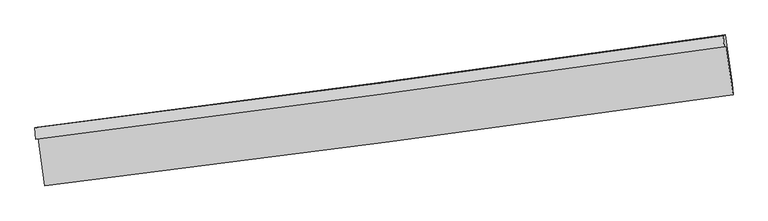
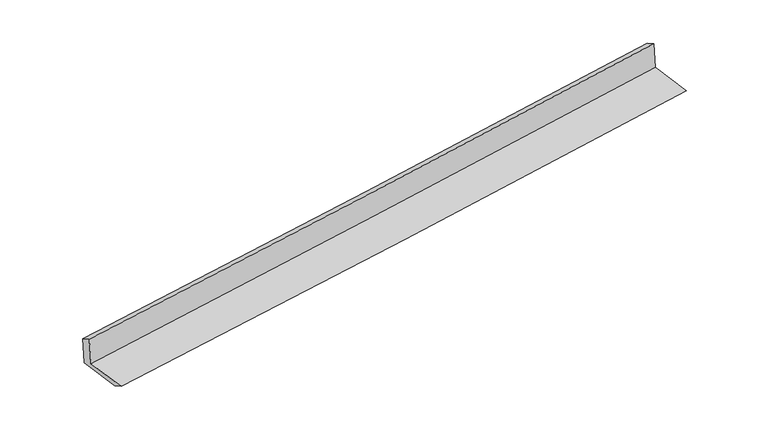
"""IFC4 building model written with IfcOpenShell, lengths in millimetres: proxy geometry."""

from ifc_helpers import new_model, si_unit, frame, origin, place, context, project, spatial, source, transform, mapped, element, save
from ifc_brep_helpers import plane_surface, spline_curve, spline_surface, advanced_brep


def generic_models_203781c9(model_context):
    return source(origin(), model_context, "Body", "AdvancedBrep", [
        advanced_brep(
        [(-4774.5244553, -2141.3247226, 1905.6328879), (-4743.3151107, -2130.827347, 1488.4428084), (4699.1955303, -865.8705828, 2251.7291299), (4669.1048337, -875.9916971, 2653.9657131), (-4789.3251551, -1987.2779717, 1823.0072614), (4654.3041339, -721.9449462, 2571.3400865), (-4758.7463771, -1976.9926894, 1414.246263), (4683.7642639, -712.0359252, 2177.5325846), (-4667.8493043, -2629.8862256, 1404.6179645), (4776.7294953, -1379.784586, 2167.6852158), (-4652.9518089, -2779.8869248, 1478.8710497), (4791.6269907, -1529.7852853, 2241.938301)],
        [
            (0, 1),
            (1, 2, spline_curve(3, [(-4743.3151107, -2130.827347, 1488.4428084), (-3166.975665974, -1932.465063163, 1617.207361746), (-1591.414866204, -1727.797642893, 1745.238038543), (1556.086642543, -1306.128880579, 1999.664890591), (3128.029389557, -1089.144046328, 2126.062988222), (4699.1955303, -865.8705828, 2251.7291299)], [4, 2, 4], [0.0, 15.688507058405525, 31.356463792064623])),
            (2, 3),
            (3, 0, spline_curve(3, [(4669.1048337, -875.9916971, 2653.9657131), (3098.1247677, -1099.202573931, 2525.812218008), (1526.182020686, -1316.187408281, 2399.414120376), (-1621.691881606, -1737.98142608, 2149.965237607), (-3197.625564688, -1942.774267149, 2026.919059913), (-4774.5244553, -2141.3247226, 1905.6328879)], [4, 2, 4], [0.0, 15.667956733659098, 31.356463792064623])),
            (4, 0),
            (3, 5),
            (5, 4, spline_curve(3, [(4654.3041339, -721.9449462, 2571.3400865), (3083.324067899, -945.155823035, 2443.186591181), (1511.381321265, -1162.140656997, 2316.788494082), (-1636.492581785, -1583.934675565, 2067.339610701), (-3212.426264255, -1788.727515997, 1944.293433279), (-4789.3251551, -1987.2779717, 1823.0072614)], [4, 2, 4], [0.0, 15.66794705583728, 31.35644442372741])),
            (6, 4),
            (5, 7),
            (7, 6, spline_curve(3, [(4683.7642639, -712.0359252, 2177.5325846), (3112.598123157, -935.309388728, 2051.866442922), (1540.655376243, -1152.294222979, 1925.468345191), (-1606.846132504, -1573.962985293, 1671.041493143), (-3182.406932374, -1778.630405563, 1543.010816346), (-4758.7463771, -1976.9926894, 1414.246263)], [4, 2, 4], [0.0, 15.667956733659102, 31.35646379206463])),
            (8, 6),
            (7, 9),
            (9, 8, spline_curve(3, [(4776.7294953, -1379.784586, 2167.6852158), (3205.907370429, -1605.529039895, 2041.98263442), (1633.964623496, -1822.513874337, 1915.584536662), (-1514.225368374, -2239.237414747, 1661.230611867), (-3090.475554462, -2438.953127066, 1533.272959094), (-4667.8493043, -2629.8862256, 1404.6179645)], [4, 2, 4], [0.0, 15.668092813564938, 31.356736130360726])),
            (10, 8),
            (9, 11),
            (11, 10, spline_curve(3, [(4791.6269907, -1529.7852853, 2241.938301), (3220.804865893, -1755.52973971, 2116.235719266), (1648.862118634, -1972.514573864, 1989.837622048), (-1499.327872711, -2389.23811362, 1735.483697081), (-3075.578058977, -2588.953826054, 1607.526044127), (-4652.9518089, -2779.8869248, 1478.8710497)], [4, 2, 4], [0.0, 15.668219213754103, 31.356989096527425])),
            (1, 10),
            (11, 2),
        ],
        [
            spline_surface(3, 3, [[(-4774.5244553, -2141.3247226, 1905.6328879), (-3197.625564433, -1942.774267136, 2026.919059942), (-1621.691881788, -1737.981426277, 2149.96523755), (1526.182020868, -1316.187408085, 2399.414120434), (3098.12476793, -1099.202573728, 2525.812217921), (4669.1048337, -875.9916971, 2653.9657131)], [(-4764.121340464, -2137.825597398, 1766.569528058), (-3187.408931649, -1939.337865845, 1890.348493953), (-1611.599543219, -1734.586831793, 2015.056171159), (1536.150228035, -1312.834565646, 2266.164377249), (3108.092975097, -1095.849731289, 2392.562474736), (4679.135065892, -872.617992321, 2519.886852054)], [(-4753.718225536, -2134.326472202, 1627.506168242), (-3177.192298774, -1935.90146456, 1753.777927991), (-1601.507204625, -1731.192237248, 1880.147104707), (1546.118435227, -1309.481723146, 2132.914634002), (3118.061182289, -1092.496888889, 2259.312731489), (4689.165298108, -869.244287579, 2385.807990946)], [(-4743.3151107, -2130.827347, 1488.4428084), (-3166.97566599, -1932.465063268, 1617.207362001), (-1591.414866055, -1727.797642764, 1745.238038316), (1556.086642394, -1306.128880707, 1999.664890818), (3128.029389456, -1089.14404645, 2126.062988305), (4699.1955303, -865.8705828, 2251.7291299)]], [4, 4], [4, 2, 4], [0.0, 1.3237939750815106], [0.0, 15.688507058405525, 31.356463792064623]),
            spline_surface(3, 3, [[(-4789.3251551, -1987.2779717, 1823.0072614), (-3212.426264233, -1788.727516236, 1944.293433442), (-1636.492581588, -1583.934675377, 2067.33961095), (1511.381321068, -1162.140657185, 2316.788493834), (3083.32406813, -945.155822828, 2443.186591321), (4654.3041339, -721.9449462, 2571.3400865)], [(-4784.391588495, -2038.626888663, 1850.549136916), (-3207.492697628, -1840.076433199, 1971.835308958), (-1631.559014983, -1635.28359234, 2094.881486466), (1516.314887673, -1213.489574148, 2344.33036935), (3088.257634735, -996.504739791, 2470.728466837), (4659.237700505, -773.293863163, 2598.881962016)], [(-4779.458021905, -2089.975805637, 1878.091012384), (-3202.559131038, -1891.425350172, 1999.377184427), (-1626.625448393, -1686.632509313, 2122.423362034), (1521.248454263, -1264.838491121, 2371.872244918), (3093.191201325, -1047.853656764, 2498.270342405), (4664.171267095, -824.642780137, 2626.423837584)], [(-4774.5244553, -2141.3247226, 1905.6328879), (-3197.625564433, -1942.774267136, 2026.919059942), (-1621.691881788, -1737.981426277, 2149.96523755), (1526.182020868, -1316.187408085, 2399.414120434), (3098.12476793, -1099.202573728, 2525.812217921), (4669.1048337, -875.9916971, 2653.9657131)]], [4, 4], [4, 2, 4], [0.0, 0.5755649563327265], [0.0, 15.68849736789013, 31.35644442372741]),
            spline_surface(3, 3, [[(-4758.7463771, -1976.9926894, 1414.246263), (-3182.40693239, -1778.630405668, 1543.010816601), (-1606.846132355, -1573.962985164, 1671.041492916), (1540.655376094, -1152.294223107, 1925.468345418), (3112.598123056, -935.30938885, 2051.866443005), (4683.7642639, -712.0359252, 2177.5325846)], [(-4768.939303095, -1980.421116827, 1550.499929121), (-3192.413376333, -1781.996109185, 1676.771688869), (-1616.728282084, -1577.286881873, 1803.140865585), (1530.897357768, -1155.576367771, 2055.908394881), (3102.84010473, -938.591533514, 2182.306492468), (4673.944220549, -715.338932205, 2308.801751924)], [(-4779.132229105, -1983.849544273, 1686.753595279), (-3202.41982029, -1785.361812719, 1810.532561175), (-1626.61043186, -1580.610778668, 1935.240238281), (1521.139339394, -1158.858512521, 2186.348444371), (3093.082086456, -941.873678164, 2312.746541858), (4664.124177251, -718.641939195, 2440.070919176)], [(-4789.3251551, -1987.2779717, 1823.0072614), (-3212.426264233, -1788.727516236, 1944.293433442), (-1636.492581588, -1583.934675377, 2067.33961095), (1511.381321068, -1162.140657185, 2316.788493834), (3083.32406813, -945.155822828, 2443.186591321), (4654.3041339, -721.9449462, 2571.3400865)]], [4, 4], [4, 2, 4], [0.0, 1.2960535071885484], [0.0, 15.688507058405529, 31.35646379206463]),
            spline_surface(3, 3, [[(-4667.8493043, -2629.8862256, 1404.6179645), (-3090.475554412, -2438.953126814, 1533.272959029), (-1514.225368243, -2239.237414575, 1661.230611902), (1633.964623365, -1822.513874509, 1915.584536627), (3205.907370426, -1605.529040152, 2041.982634214), (4776.7294953, -1379.784586, 2167.6852158)], [(-4698.148328575, -2412.255046881, 1407.827397335), (-3121.11934708, -2218.845553113, 1536.518911555), (-1545.098956305, -2017.479271468, 1664.500905571), (1602.861540917, -1599.107324072, 1918.879139555), (3174.804287978, -1382.122489715, 2045.277237142), (4745.741084842, -1157.201699064, 2170.967672064)], [(-4728.447352825, -2194.623868119, 1411.036830165), (-3151.763139722, -1998.737979369, 1539.764864075), (-1575.972544294, -1795.721128271, 1667.771199247), (1571.758458542, -1375.700773544, 1922.17374249), (3143.701205503, -1158.715939287, 2048.571840077), (4714.752674358, -934.618812136, 2174.250128336)], [(-4758.7463771, -1976.9926894, 1414.246263), (-3182.40693239, -1778.630405668, 1543.010816601), (-1606.846132355, -1573.962985164, 1671.041492916), (1540.655376094, -1152.294223107, 1925.468345418), (3112.598123056, -935.30938885, 2051.866443005), (4683.7642639, -712.0359252, 2177.5325846)]], [4, 4], [4, 2, 4], [0.0, 2.212125987477346], [0.0, 15.688643316795789, 31.356736130360726]),
            spline_surface(3, 3, [[(-4652.9518089, -2779.8869248, 1478.8710497), (-3075.578059012, -2588.953826014, 1607.526044229), (-1499.327872843, -2389.238113775, 1735.483697202), (1648.862118765, -1972.514573709, 1989.837621927), (3220.804865826, -1755.529739452, 2116.235719414), (4791.6269907, -1529.7852853, 2241.938301)], [(-4657.917640703, -2729.886691721, 1454.120021293), (-3080.543890815, -2538.953592935, 1582.775015822), (-1504.293704646, -2339.237880696, 1710.732668795), (1643.896286962, -1922.514340629, 1965.08659352), (3215.839034023, -1705.529506372, 2091.484691007), (4786.661158897, -1479.785052221, 2217.187272593)], [(-4662.883472497, -2679.886458679, 1429.368992907), (-3085.509722609, -2488.953359893, 1558.023987436), (-1509.25953644, -2289.237647654, 1685.981640309), (1638.930455168, -1872.514107588, 1940.335565034), (3210.873202229, -1655.529273231, 2066.733662621), (4781.695327103, -1429.784819079, 2192.436244207)], [(-4667.8493043, -2629.8862256, 1404.6179645), (-3090.475554412, -2438.953126814, 1533.272959029), (-1514.225368243, -2239.237414575, 1661.230611902), (1633.964623365, -1822.513874509, 1915.584536627), (3205.907370426, -1605.529040152, 2041.982634214), (4776.7294953, -1379.784586, 2167.6852158)]], [4, 4], [4, 2, 4], [0.0, 0.5512950002441745], [0.0, 15.688769882773322, 31.356989096527425]),
            spline_surface(3, 3, [[(-4743.3151107, -2130.827347, 1488.4428084), (-3166.97566599, -1932.465063268, 1617.207362001), (-1591.414866055, -1727.797642764, 1745.238038316), (1556.086642394, -1306.128880707, 1999.664890818), (3128.029389456, -1089.14404645, 2126.062988305), (4699.1955303, -865.8705828, 2251.7291299)], [(-4713.194010068, -2347.18053961, 1485.252222178), (-3136.509796965, -2151.29465086, 1613.980256088), (-1560.719201637, -1948.277799762, 1741.98659126), (1587.011801199, -1528.257445035, 1996.389134503), (3158.95454826, -1311.272610778, 2122.78723199), (4730.006017115, -1087.175483627, 2248.465520249)], [(-4683.072909532, -2563.53373219, 1482.061635922), (-3106.043928037, -2370.124238422, 1610.753150142), (-1530.023537262, -2168.757956778, 1738.735144258), (1617.93695996, -1750.386009381, 1993.113378242), (3189.879707021, -1533.401175124, 2119.511475729), (4760.816503885, -1308.480384473, 2245.201910651)], [(-4652.9518089, -2779.8869248, 1478.8710497), (-3075.578059012, -2588.953826014, 1607.526044229), (-1499.327872843, -2389.238113775, 1735.483697202), (1648.862118765, -1972.514573709, 1989.837621927), (3220.804865826, -1755.529739452, 2116.235719414), (4791.6269907, -1529.7852853, 2241.938301)]], [4, 4], [4, 2, 4], [0.0, 2.1994247105793794], [0.0, 15.688643316795794, 31.356736130360737]),
            plane_surface(frame((4712.454208, -1014.2355038, 2344.0318385), z_axis=(0.9876376911562544, 0.1363606170951865, 0.0773147664612848), x_axis=(-0.13787723649293965, 0.9903416434793244, 0.014604685814518566))),
            plane_surface(frame((-4731.1187019, -2274.3659802, 1585.8030391), z_axis=(-0.9876376911562476, -0.13636061709521435, -0.0773147664613249), x_axis=(-0.07457652891237981, -0.02508408451769328, 0.9968997592733636))),
        ],
        [
            (0, [[1, 2, 3, 4]]),
            (1, [[5, -4, 6, 7]]),
            (2, [[8, -7, 9, 10]]),
            (3, [[11, -10, 12, 13]]),
            (4, [[14, -13, 15, 16]]),
            (5, [[17, -16, 18, -2]]),
            (6, [[-12, -9, -6, -3, -18, -15]]),
            (7, [[-1, -5, -8, -11, -14, -17]]),
        ],
    ),
    ])


if __name__ == "__main__":
    model = new_model("IFC4")
    model_context = context("Model", 3, world=origin())
    ifc_project = project(units=[si_unit("LENGTHUNIT", "METRE", prefix="MILLI")], contexts=[model_context])
    site = spatial("IfcSite", under=ifc_project)
    building = spatial("IfcBuilding", under=site)
    placement = place(None, origin())
    generic_models_shape = generic_models_203781c9(model_context)
    element("IfcBuildingElementProxy", 1, Name="Generic Models", at=placement, inside=building, context=model_context, shape_type="MappedRepresentation", body=[
        mapped(generic_models_shape, transform((0.0, 0.0, 0.0), x_axis=(1.0, 0.0, 0.0), y_axis=(0.0, 1.0, 0.0), z_axis=(0.0, 0.0, 1.0))),
    ])
    save(model, "model.ifc")
